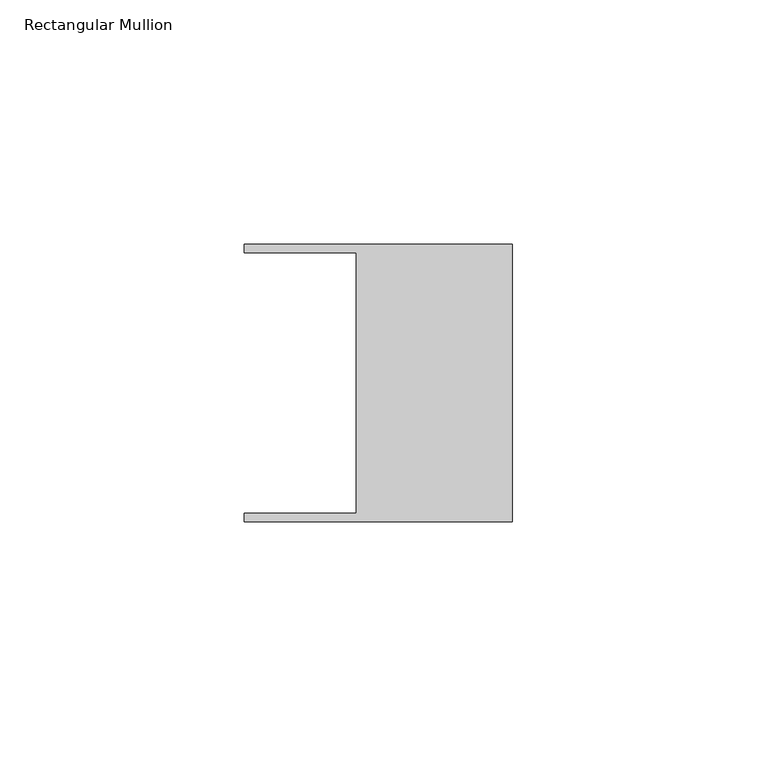
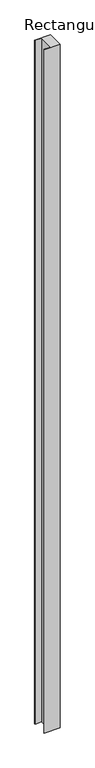
"""IFC4 building model written with IfcOpenShell, lengths in millimetres: member geometry, Rectangular Mullion."""

from ifc_helpers import new_model, si_unit, frame, origin, place, context, project, spatial, polyline, outline, extrude, source, transform, mapped, element, save


def rectangular_mullion_73234a51(model_context):
    return source(origin(), model_context, "Body", "SweptSolid", [
        extrude(outline(polyline([(-32.004, -26.67), (-32.004, 26.67), (-54.991, 26.67), (-54.991, 28.448), (0.0, 28.448), (0.0, -28.448), (-54.991, -28.448), (-54.991, -26.67), (-32.004, -26.67)])), frame((0.0, 0.0, -2517.7774314), z_axis=(0.0, 0.0, 1.0), x_axis=(1.0, 0.0, 0.0)), (0.0, 0.0, 1.0), 2517.7774314),
    ])


if __name__ == "__main__":
    model = new_model("IFC4")
    model_context = context("Model", 3, world=origin())
    ifc_project = project(units=[si_unit("LENGTHUNIT", "METRE", prefix="MILLI")], contexts=[model_context])
    site = spatial("IfcSite", under=ifc_project)
    building = spatial("IfcBuilding", under=site)
    placement = place(None, origin())
    rectangular_mullion_shape = rectangular_mullion_73234a51(model_context)
    element("IfcMember", 1, ObjectType="Rectangular Mullion", at=placement, inside=building, context=model_context, shape_type="MappedRepresentation", body=[
        mapped(rectangular_mullion_shape, transform((0.0, 0.0, 0.0), x_axis=(1.0, 0.0, 0.0), y_axis=(0.0, 1.0, 0.0), z_axis=(0.0, 0.0, 1.0))),
    ])
    save(model, "model.ifc")
